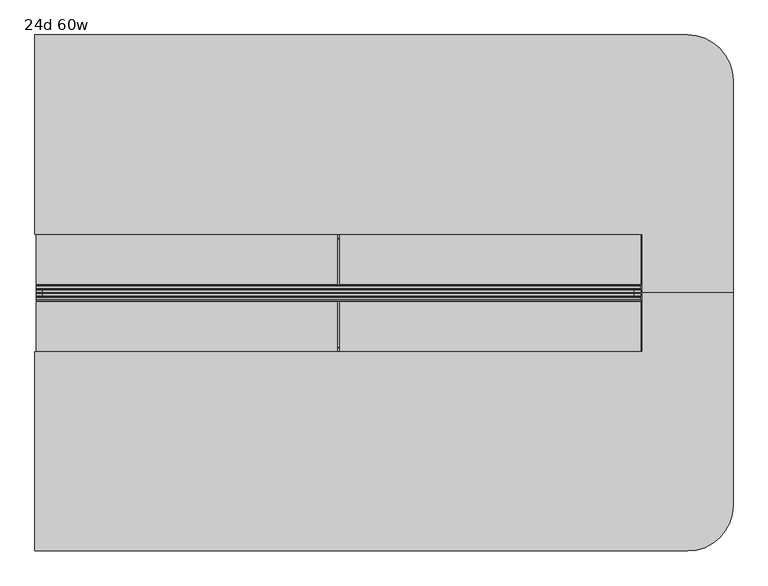
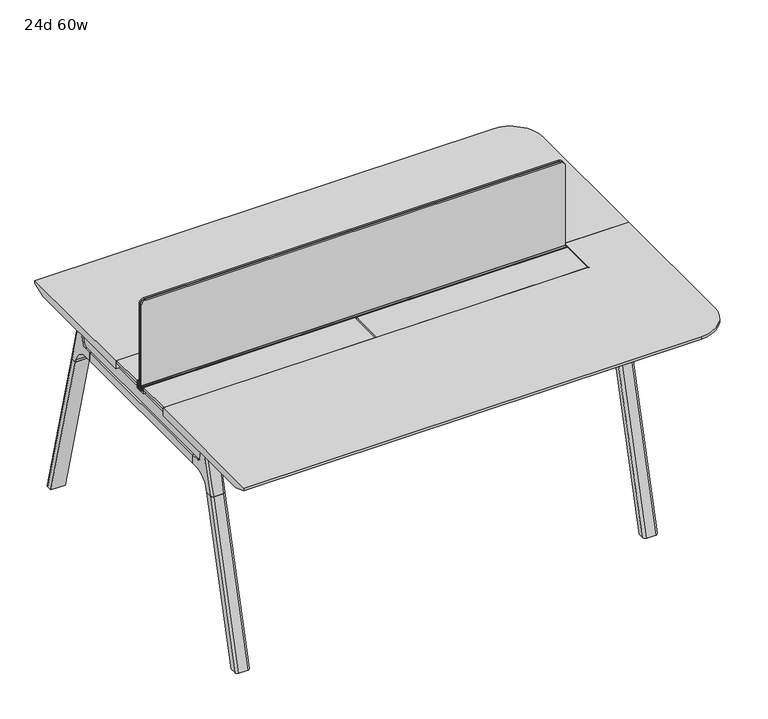
"""IFC4 building model written with IfcOpenShell, lengths in millimetres: furniture geometry, 24d 60w."""

from ifc_helpers import new_model, si_unit, point, frame, frame_2d, origin, place, context, project, spatial, polyline, circle_curve, ellipse_curve, trimmed, segment, composite_curve, outline, extrude, source, transform, mapped, element, save
from ifc_brep_helpers import plane_surface, cylinder_surface, revolved_surface, advanced_brep


def furniture_24d_60w_6e6c39e0(model_context):
    return source(origin(), model_context, "Body", "SolidModel", [
        extrude(outline(polyline([(-18.0090763, 706.4375), (3.7767266, 706.4375), (3.7767266, 705.2310087), (-17.4495292, 705.2310087), (-19.0070753, 703.6734626), (-49.1186716, 567.0903512), (-50.5285062, 567.4011683), (-20.404074, 704.0425023), (-18.0090763, 706.4375)])), frame((-317.5, 0.0, 0.0), z_axis=(1.0, 0.0, 0.0), x_axis=(0.0, 1.0, 0.0)), (0.0, 0.0, 1.0), 31.8008024),
        extrude(outline(polyline([(-381.4978768, 706.4375), (-379.1028791, 704.0425023), (-348.9784469, 567.4011683), (-350.3882815, 567.0903512), (-380.4998778, 703.6734626), (-382.0574239, 705.2310087), (-403.2836797, 705.2310087), (-403.2836797, 706.4375), (-381.4978768, 706.4375)])), frame((-317.5, 0.0, 0.0), z_axis=(1.0, 0.0, 0.0), x_axis=(0.0, 1.0, 0.0)), (0.0, 0.0, 1.0), 31.8008024),
        extrude(outline(polyline([(-18.0090763, 706.4375), (3.7767266, 706.4375), (3.7767266, 705.2310087), (-17.4495292, 705.2310087), (-19.0070753, 703.6734626), (-49.1186716, 567.0903512), (-50.5285062, 567.4011683), (-20.404074, 704.0425023), (-18.0090763, 706.4375)])), frame((717.4991976, 0.0, 0.0), z_axis=(1.0, 0.0, 0.0), x_axis=(0.0, 1.0, 0.0)), (0.0, 0.0, 1.0), 31.8008024),
        extrude(outline(polyline([(-381.4978768, 706.4375), (-379.1028791, 704.0425023), (-348.9784469, 567.4011683), (-350.3882815, 567.0903512), (-380.4998778, 703.6734626), (-382.0574239, 705.2310087), (-403.2836797, 705.2310087), (-403.2836797, 706.4375), (-381.4978768, 706.4375)])), frame((717.4991976, 0.0, 0.0), z_axis=(1.0, 0.0, 0.0), x_axis=(0.0, 1.0, 0.0)), (0.0, 0.0, 1.0), 31.8008024),
        extrude(outline(polyline([(-353.550475, 565.5309966), (-351.518477, 567.5629947), (-350.957211, 567.0017287), (-352.756725, 565.2022146), (-352.756725, 557.3042827), (-352.5317745, 556.4647622), (-337.4390802, 530.3234395), (-336.0037101, 529.4947272), (-63.503243, 529.4947272), (-62.0678729, 530.3234395), (-46.9751786, 556.4647622), (-46.7502281, 557.3042827), (-46.7502281, 565.2022146), (-48.5497421, 567.0017287), (-47.9884761, 567.5629947), (-45.9564781, 565.5309966), (-45.9564781, 557.1997828), (-46.2355217, 556.1583856), (-61.4868074, 529.7423744), (-63.2905581, 528.7009772), (-336.216395, 528.7009772), (-338.0201457, 529.7423744), (-353.2714314, 556.1583856), (-353.550475, 557.1997828), (-353.550475, 565.5309966)])), frame((-317.4492037, 0.0, 0.0), z_axis=(1.0, 0.0, 0.0), x_axis=(0.0, 1.0, 0.0)), (0.0, 0.0, 1.0), 1066.7492037),
        extrude(outline(composite_curve([segment(polyline([(178.0715234, 711.2), (169.0134226, 677.3947076)]), True, "CONTINUOUS"), segment(trimmed(circle_curve(frame_2d((153.6793501, 681.5034599)), 15.875), [point((169.0134226, 677.3947076))], [point((153.6793501, 665.6284599))], False, "CARTESIAN"), True, "CONTINUOUS"), segment(polyline([(153.6793501, 665.6284599), (-553.1863033, 665.6284599)]), True, "CONTINUOUS"), segment(trimmed(circle_curve(frame_2d((-553.1863033, 681.5034599)), 15.875), [point((-553.1863033, 665.6284599))], [point((-568.5203758, 677.3947076))], False, "CARTESIAN"), True, "CONTINUOUS"), segment(polyline([(-568.5203758, 677.3947076), (-577.5784766, 711.2), (178.0715234, 711.2)]), True, "CONTINUOUS")], self_intersect=False)), frame((-533.4, 0.0, 0.0), z_axis=(1.0, 0.0, 0.0), x_axis=(0.0, 1.0, 0.0)), (0.0, 0.0, 1.0), 38.1),
        extrude(outline(polyline([(-488.95, 117.7465234), (-488.95, -517.2534766), (-539.75, -517.2534766), (-539.75, 117.7465234), (-488.95, 117.7465234)])), frame((0.0, 0.0, 635.6476591), z_axis=(0.0, 0.0, 1.0), x_axis=(1.0, 0.0, 0.0)), (0.0, 0.0, 1.0), 29.9808008),
        advanced_brep(
        [(-488.95, 171.7678522, 711.2), (-488.95, 162.7097514, 677.3947076), (-488.95, 147.3756789, 665.6284599), (-488.95, 117.7465234, 665.6284599), (-488.95, 117.7465234, 635.6476591), (-488.95, 140.6177557, 635.6476591), (-488.95, 205.0208602, 586.2294189), (-488.95, 207.5790723, 576.6820411), (-488.95, 228.6830422, 576.6820411), (-488.95, 193.2343986, 711.2), (-539.75, 207.5790723, 576.6820411), (-539.75, 205.0208602, 586.2294189), (-539.75, 140.6177557, 635.6476591), (-539.75, 117.7465234, 635.6476591), (-539.75, 117.7465234, 665.6284599), (-539.75, 147.3756789, 665.6284599), (-539.75, 162.7097514, 677.3947076), (-539.75, 171.7678522, 711.2), (-539.75, 193.2343986, 711.2), (-539.75, 228.6830422, 576.6820411), (-495.2138162, 202.4892431, 711.2), (-533.4861838, 202.4892431, 711.2), (-530.225, 238.5332216, 576.6820411), (-498.475, 238.5332216, 576.6820411)],
        [
            (0, 1),
            (1, 2, circle_curve(frame((-488.95, 147.3756789, 681.5034599), z_axis=(-1.0, 0.0, 0.0), x_axis=(0.0, 1.0, 0.0)), 15.875)),
            (2, 3),
            (3, 4),
            (4, 5),
            (5, 6, circle_curve(frame((-488.95, 140.6177557, 568.9726591), z_axis=(-1.0, 0.0, 0.0), x_axis=(0.0, 1.0, 0.0)), 66.675)),
            (6, 7),
            (7, 8),
            (8, 9),
            (9, 0),
            (10, 11),
            (11, 12, circle_curve(frame((-539.75, 140.6177557, 568.9726591), z_axis=(1.0, 0.0, 0.0), x_axis=(0.0, 1.0, 0.0)), 66.675)),
            (12, 13),
            (13, 14),
            (14, 15),
            (15, 16, circle_curve(frame((-539.75, 147.3756789, 681.5034599), z_axis=(1.0, 0.0, 0.0), x_axis=(0.0, 1.0, 0.0)), 15.875)),
            (16, 17),
            (17, 18),
            (18, 19),
            (19, 10),
            (17, 0),
            (9, 20, ellipse_curve(frame((-498.475, 193.2343986, 711.2), z_axis=(0.0, 0.0, 1.0), x_axis=(0.0, 1.0, 0.0)), 9.8501793, 9.525)),
            (20, 21),
            (21, 18, ellipse_curve(frame((-530.225, 193.2343986, 711.2), z_axis=(0.0, 0.0, 1.0), x_axis=(0.0, 1.0, 0.0)), 9.8501793, 9.525)),
            (16, 1),
            (15, 2),
            (14, 3),
            (13, 4),
            (12, 5),
            (11, 6),
            (10, 7),
            (19, 22, ellipse_curve(frame((-530.225, 228.6830422, 576.6820411), z_axis=(0.0, 0.0, -1.0), x_axis=(0.0, 1.0, 0.0)), 9.8501793, 9.525)),
            (22, 23),
            (23, 8, ellipse_curve(frame((-498.475, 228.6830422, 576.6820411), z_axis=(0.0, 0.0, -1.0), x_axis=(0.0, 1.0, 0.0)), 9.8501793, 9.525)),
            (20, 23, ellipse_curve(frame((-498.475, -357.8364925, 2802.3641142), z_axis=(0.0, 0.9659258262890684, 0.2588190451025206), x_axis=(0.0, 0.2588190451025206, -0.9659258262890684)), 2304.1956354, 9.525)),
            (22, 21, ellipse_curve(frame((-530.225, -357.8364925, 2802.3641142), z_axis=(0.0, 0.9659258262890684, 0.2588190451025206), x_axis=(0.0, 0.2588190451025206, -0.9659258262890684)), 2304.1956354, 9.525)),
        ],
        [
            plane_surface(frame((-488.95, 202.4892431, 711.2), z_axis=(1.0, 0.0, 0.0), x_axis=(0.0, -1.0, 0.0))),
            plane_surface(frame((-539.75, 202.4892431, 711.2), z_axis=(-1.0, 0.0, 0.0), x_axis=(0.0, 1.0, 0.0))),
            plane_surface(frame((-488.95, 202.4892431, 711.2), z_axis=(0.0, 0.0, 1.0), x_axis=(-1.0, 0.0, 0.0))),
            plane_surface(frame((-488.95, 171.7678522, 711.2), z_axis=(0.0, -0.9659258262890683, 0.2588190451025207), x_axis=(-1.0, 0.0, 0.0))),
            revolved_surface(polyline([(-539.75, 163.2506789, 681.5034599), (-488.95, 163.2506789, 681.5034599)]), (-539.75, 147.3756789, 681.5034599), (-1.0, 0.0, 0.0)),
            plane_surface(frame((-488.95, 147.3756789, 665.6284599), z_axis=(0.0, 0.0, 1.0), x_axis=(-1.0, 0.0, 0.0))),
            plane_surface(frame((-488.95, 117.7465234, 665.6284599), z_axis=(0.0, -1.0, 0.0), x_axis=(-1.0, 0.0, 0.0))),
            plane_surface(frame((-488.95, 117.7465234, 635.6476591), z_axis=(0.0, 0.0, -1.0), x_axis=(-1.0, 0.0, 0.0))),
            revolved_surface(polyline([(-539.75, 207.2927557, 568.9726591), (-488.95, 207.2927557, 568.9726591)]), (-539.75, 140.6177557, 568.9726591), (-1.0, 0.0, 0.0)),
            plane_surface(frame((-488.95, 205.0208602, 586.2294189), z_axis=(0.0, -0.9659258262890693, -0.25881904510251696), x_axis=(-1.0, 0.0, 0.0))),
            plane_surface(frame((-488.95, 207.5790723, 576.6820411), z_axis=(0.0, 0.0, -1.0), x_axis=(-1.0, 0.0, 0.0))),
            plane_surface(frame((-488.95, 238.5332216, 576.6820411), z_axis=(0.0, 0.9659258262890684, 0.2588190451025206), x_axis=(-1.0, 0.0, 0.0))),
            cylinder_surface(frame((-498.475, 381.2919371, -2.4271979), z_axis=(0.0, 0.25482392474081483, -0.966987470125486), x_axis=(-1.0, 0.0, 0.0)), 9.525),
            cylinder_surface(frame((-530.225, 381.2919371, -2.4271979), z_axis=(0.0, 0.25482392474081483, -0.966987470125486), x_axis=(-1.0, 0.0, 0.0)), 9.525),
        ],
        [
            (0, [[1, 2, 3, 4, 5, 6, 7, 8, 9, 10]]),
            (1, [[11, 12, 13, 14, 15, 16, 17, 18, 19, 20]]),
            (2, [[21, -10, 22, 23, 24, -18]]),
            (3, [[-1, -21, -17, 25]]),
            (4, [[-2, -25, -16, 26]]),
            (5, [[-3, -26, -15, 27]]),
            (6, [[-4, -27, -14, 28]]),
            (7, [[-5, -28, -13, 29]]),
            (8, [[-6, -29, -12, 30]]),
            (9, [[-7, -30, -11, 31]]),
            (10, [[-31, -20, 32, 33, 34, -8]]),
            (11, [[-23, 35, -33, 36]]),
            (12, [[-9, -34, -35, -22]]),
            (13, [[-19, -24, -36, -32]]),
        ],
    ),
        advanced_brep(
        [(-488.95, 207.5790723, 576.6820411), (-488.95, 359.5483435, 0.0), (-488.95, 380.6523134, 0.0), (-488.95, 228.6830422, 576.6820411), (-539.75, 359.5483435, 0.0), (-539.75, 207.5790723, 576.6820411), (-539.75, 228.6830422, 576.6820411), (-539.75, 380.6523134, 0.0), (-498.475, 238.5332216, 576.6820411), (-530.225, 238.5332216, 576.6820411), (-530.225, 390.5024927, 0.0), (-498.475, 390.5024927, 0.0)],
        [
            (0, 1),
            (1, 2),
            (2, 3),
            (3, 0),
            (4, 5),
            (5, 6),
            (6, 7),
            (7, 4),
            (5, 0),
            (3, 8, ellipse_curve(frame((-498.475, 228.6830422, 576.6820411), z_axis=(0.0, 0.0, 1.0), x_axis=(0.0, 1.0, 0.0)), 9.8501793, 9.525)),
            (8, 9),
            (9, 6, ellipse_curve(frame((-530.225, 228.6830422, 576.6820411), z_axis=(0.0, 0.0, 1.0), x_axis=(0.0, 1.0, 0.0)), 9.8501793, 9.525)),
            (4, 1),
            (7, 10, ellipse_curve(frame((-530.225, 380.6523134, 0.0), z_axis=(0.0, 0.0, -1.0), x_axis=(0.0, 1.0, 0.0)), 9.8501793, 9.525)),
            (10, 11),
            (11, 2, ellipse_curve(frame((-498.475, 380.6523134, 0.0), z_axis=(0.0, 0.0, -1.0), x_axis=(0.0, 1.0, 0.0)), 9.8501793, 9.525)),
            (8, 11),
            (10, 9),
        ],
        [
            plane_surface(frame((-488.95, 238.5332216, 576.6820411), z_axis=(1.0, 0.0, 0.0), x_axis=(0.0, -1.0, 0.0))),
            plane_surface(frame((-539.75, 238.5332216, 576.6820411), z_axis=(-1.0, 0.0, 0.0), x_axis=(0.0, 1.0, 0.0))),
            plane_surface(frame((-488.95, 238.5332216, 576.6820411), z_axis=(0.0, 0.0, 1.0), x_axis=(-1.0, 0.0, 0.0))),
            plane_surface(frame((-488.95, 207.5790723, 576.6820411), z_axis=(0.0, -0.9669874701254844, -0.2548239247408208), x_axis=(-1.0, 0.0, 0.0))),
            plane_surface(frame((-488.95, 359.5483435, 0.0), z_axis=(0.0, 0.0, -1.0), x_axis=(-1.0, 0.0, 0.0))),
            plane_surface(frame((-488.95, 390.5024927, 0.0), z_axis=(0.0, 0.9669874701254855, 0.2548239247408166), x_axis=(-1.0, 0.0, 0.0))),
            cylinder_surface(frame((-498.475, 381.2919371, -2.4271979), z_axis=(0.0, 0.25482392474081483, -0.966987470125486), x_axis=(-1.0, 0.0, 0.0)), 9.525),
            cylinder_surface(frame((-530.225, 381.2919371, -2.4271979), z_axis=(0.0, 0.25482392474081483, -0.966987470125486), x_axis=(-1.0, 0.0, 0.0)), 9.525),
        ],
        [
            (0, [[1, 2, 3, 4]]),
            (1, [[5, 6, 7, 8]]),
            (2, [[9, -4, 10, 11, 12, -6]]),
            (3, [[-1, -9, -5, 13]]),
            (4, [[-13, -8, 14, 15, 16, -2]]),
            (5, [[-11, 17, -15, 18]]),
            (6, [[-3, -16, -17, -10]]),
            (7, [[-7, -12, -18, -14]]),
        ],
    ),
        advanced_brep(
        [(-539.75, -571.2748053, 711.2), (-539.75, -562.2167045, 677.3947076), (-539.75, -546.882632, 665.6284599), (-539.75, -517.2534766, 665.6284599), (-539.75, -517.2534766, 635.6476591), (-539.75, -540.1247088, 635.6476591), (-539.75, -604.5278133, 586.2294189), (-539.75, -607.0860254, 576.6820411), (-539.75, -628.1899953, 576.6820411), (-539.75, -592.7413517, 711.2), (-488.95, -607.0860254, 576.6820411), (-488.95, -604.5278133, 586.2294189), (-488.95, -540.1247088, 635.6476591), (-488.95, -517.2534766, 635.6476591), (-488.95, -517.2534766, 665.6284599), (-488.95, -546.882632, 665.6284599), (-488.95, -562.2167045, 677.3947076), (-488.95, -571.2748053, 711.2), (-488.95, -592.7413517, 711.2), (-488.95, -628.1899953, 576.6820411), (-533.4861838, -601.9961962, 711.2), (-495.2138162, -601.9961962, 711.2), (-498.475, -638.0401747, 576.6820411), (-530.225, -638.0401747, 576.6820411)],
        [
            (0, 1),
            (1, 2, circle_curve(frame((-539.75, -546.882632, 681.5034599), z_axis=(1.0, 0.0, 0.0), x_axis=(0.0, -1.0, 0.0)), 15.875)),
            (2, 3),
            (3, 4),
            (4, 5),
            (5, 6, circle_curve(frame((-539.75, -540.1247088, 568.9726591), z_axis=(1.0, 0.0, 0.0), x_axis=(0.0, -1.0, 0.0)), 66.675)),
            (6, 7),
            (7, 8),
            (8, 9),
            (9, 0),
            (10, 11),
            (11, 12, circle_curve(frame((-488.95, -540.1247088, 568.9726591), z_axis=(-1.0, 0.0, 0.0), x_axis=(0.0, -1.0, 0.0)), 66.675)),
            (12, 13),
            (13, 14),
            (14, 15),
            (15, 16, circle_curve(frame((-488.95, -546.882632, 681.5034599), z_axis=(-1.0, 0.0, 0.0), x_axis=(0.0, -1.0, 0.0)), 15.875)),
            (16, 17),
            (17, 18),
            (18, 19),
            (19, 10),
            (17, 0),
            (9, 20, ellipse_curve(frame((-530.225, -592.7413517, 711.2), z_axis=(0.0, 0.0, 1.0), x_axis=(0.0, -1.0, 0.0)), 9.8501793, 9.525)),
            (20, 21),
            (21, 18, ellipse_curve(frame((-498.475, -592.7413517, 711.2), z_axis=(0.0, 0.0, 1.0), x_axis=(0.0, -1.0, 0.0)), 9.8501793, 9.525)),
            (16, 1),
            (15, 2),
            (14, 3),
            (13, 4),
            (12, 5),
            (11, 6),
            (10, 7),
            (19, 22, ellipse_curve(frame((-498.475, -628.1899953, 576.6820411), z_axis=(0.0, 0.0, -1.0), x_axis=(0.0, -1.0, 0.0)), 9.8501793, 9.525)),
            (22, 23),
            (23, 8, ellipse_curve(frame((-530.225, -628.1899953, 576.6820411), z_axis=(0.0, 0.0, -1.0), x_axis=(0.0, -1.0, 0.0)), 9.8501793, 9.525)),
            (20, 23, ellipse_curve(frame((-530.225, -41.6704606, 2802.3641142), z_axis=(0.0, -0.9659258262890684, 0.2588190451025206), x_axis=(0.0, -0.2588190451025206, -0.9659258262890684)), 2304.1956354, 9.525)),
            (22, 21, ellipse_curve(frame((-498.475, -41.6704606, 2802.3641142), z_axis=(0.0, -0.9659258262890684, 0.2588190451025206), x_axis=(0.0, -0.2588190451025206, -0.9659258262890684)), 2304.1956354, 9.525)),
        ],
        [
            plane_surface(frame((-539.75, -601.9961962, 711.2), z_axis=(-1.0, 0.0, 0.0), x_axis=(0.0, 1.0, 0.0))),
            plane_surface(frame((-488.95, -601.9961962, 711.2), z_axis=(1.0, 0.0, 0.0), x_axis=(0.0, -1.0, 0.0))),
            plane_surface(frame((-539.75, -601.9961962, 711.2), z_axis=(0.0, 0.0, 1.0), x_axis=(1.0, 0.0, 0.0))),
            plane_surface(frame((-539.75, -571.2748053, 711.2), z_axis=(0.0, 0.9659258262890683, 0.2588190451025207), x_axis=(1.0, 0.0, 0.0))),
            revolved_surface(polyline([(-488.95, -562.757632, 681.5034599), (-539.75, -562.757632, 681.5034599)]), (-488.95, -546.882632, 681.5034599), (1.0, 0.0, 0.0)),
            plane_surface(frame((-539.75, -546.882632, 665.6284599), z_axis=(0.0, 0.0, 1.0), x_axis=(1.0, 0.0, 0.0))),
            plane_surface(frame((-539.75, -517.2534766, 665.6284599), z_axis=(0.0, 1.0, 0.0), x_axis=(1.0, 0.0, 0.0))),
            plane_surface(frame((-539.75, -517.2534766, 635.6476591), z_axis=(0.0, 0.0, -1.0), x_axis=(1.0, 0.0, 0.0))),
            revolved_surface(polyline([(-488.95, -606.7997088, 568.9726591), (-539.75, -606.7997088, 568.9726591)]), (-488.95, -540.1247088, 568.9726591), (1.0, 0.0, 0.0)),
            plane_surface(frame((-539.75, -604.5278133, 586.2294189), z_axis=(0.0, 0.9659258262890693, -0.25881904510251696), x_axis=(1.0, 0.0, 0.0))),
            plane_surface(frame((-539.75, -607.0860254, 576.6820411), z_axis=(0.0, 0.0, -1.0), x_axis=(1.0, 0.0, 0.0))),
            plane_surface(frame((-539.75, -638.0401747, 576.6820411), z_axis=(0.0, -0.9659258262890684, 0.2588190451025206), x_axis=(1.0, 0.0, 0.0))),
            cylinder_surface(frame((-530.225, -780.7988902, -2.4271979), z_axis=(0.0, -0.25482392474081483, -0.966987470125486), x_axis=(1.0, 0.0, 0.0)), 9.525),
            cylinder_surface(frame((-498.475, -780.7988902, -2.4271979), z_axis=(0.0, -0.25482392474081483, -0.966987470125486), x_axis=(1.0, 0.0, 0.0)), 9.525),
        ],
        [
            (0, [[1, 2, 3, 4, 5, 6, 7, 8, 9, 10]]),
            (1, [[11, 12, 13, 14, 15, 16, 17, 18, 19, 20]]),
            (2, [[21, -10, 22, 23, 24, -18]]),
            (3, [[-1, -21, -17, 25]]),
            (4, [[-2, -25, -16, 26]]),
            (5, [[-3, -26, -15, 27]]),
            (6, [[-4, -27, -14, 28]]),
            (7, [[-5, -28, -13, 29]]),
            (8, [[-6, -29, -12, 30]]),
            (9, [[-7, -30, -11, 31]]),
            (10, [[-31, -20, 32, 33, 34, -8]]),
            (11, [[-23, 35, -33, 36]]),
            (12, [[-9, -34, -35, -22]]),
            (13, [[-19, -24, -36, -32]]),
        ],
    ),
        advanced_brep(
        [(-539.75, -607.0860254, 576.6820411), (-539.75, -759.0552966, 0.0), (-539.75, -780.1592665, 0.0), (-539.75, -628.1899953, 576.6820411), (-488.95, -759.0552966, 0.0), (-488.95, -607.0860254, 576.6820411), (-488.95, -628.1899953, 576.6820411), (-488.95, -780.1592665, 0.0), (-530.225, -638.0401747, 576.6820411), (-498.475, -638.0401747, 576.6820411), (-498.475, -790.0094458, 0.0), (-530.225, -790.0094458, 0.0)],
        [
            (0, 1),
            (1, 2),
            (2, 3),
            (3, 0),
            (4, 5),
            (5, 6),
            (6, 7),
            (7, 4),
            (5, 0),
            (3, 8, ellipse_curve(frame((-530.225, -628.1899953, 576.6820411), z_axis=(0.0, 0.0, 1.0), x_axis=(0.0, -1.0, 0.0)), 9.8501793, 9.525)),
            (8, 9),
            (9, 6, ellipse_curve(frame((-498.475, -628.1899953, 576.6820411), z_axis=(0.0, 0.0, 1.0), x_axis=(0.0, -1.0, 0.0)), 9.8501793, 9.525)),
            (4, 1),
            (7, 10, ellipse_curve(frame((-498.475, -780.1592665, 0.0), z_axis=(0.0, 0.0, -1.0), x_axis=(0.0, -1.0, 0.0)), 9.8501793, 9.525)),
            (10, 11),
            (11, 2, ellipse_curve(frame((-530.225, -780.1592665, 0.0), z_axis=(0.0, 0.0, -1.0), x_axis=(0.0, -1.0, 0.0)), 9.8501793, 9.525)),
            (8, 11),
            (10, 9),
        ],
        [
            plane_surface(frame((-539.75, -638.0401747, 576.6820411), z_axis=(-1.0, 0.0, 0.0), x_axis=(0.0, 1.0, 0.0))),
            plane_surface(frame((-488.95, -638.0401747, 576.6820411), z_axis=(1.0, 0.0, 0.0), x_axis=(0.0, -1.0, 0.0))),
            plane_surface(frame((-539.75, -638.0401747, 576.6820411), z_axis=(0.0, 0.0, 1.0), x_axis=(1.0, 0.0, 0.0))),
            plane_surface(frame((-539.75, -607.0860254, 576.6820411), z_axis=(0.0, 0.9669874701254844, -0.2548239247408208), x_axis=(1.0, 0.0, 0.0))),
            plane_surface(frame((-539.75, -759.0552966, 0.0), z_axis=(0.0, 0.0, -1.0), x_axis=(1.0, 0.0, 0.0))),
            plane_surface(frame((-539.75, -790.0094458, 0.0), z_axis=(0.0, -0.9669874701254855, 0.2548239247408166), x_axis=(1.0, 0.0, 0.0))),
            cylinder_surface(frame((-530.225, -780.7988902, -2.4271979), z_axis=(0.0, -0.25482392474081483, -0.966987470125486), x_axis=(1.0, 0.0, 0.0)), 9.525),
            cylinder_surface(frame((-498.475, -780.7988902, -2.4271979), z_axis=(0.0, -0.25482392474081483, -0.966987470125486), x_axis=(1.0, 0.0, 0.0)), 9.525),
        ],
        [
            (0, [[1, 2, 3, 4]]),
            (1, [[5, 6, 7, 8]]),
            (2, [[9, -4, 10, 11, 12, -6]]),
            (3, [[-1, -9, -5, 13]]),
            (4, [[-13, -8, 14, 15, 16, -2]]),
            (5, [[-11, 17, -15, 18]]),
            (6, [[-3, -16, -17, -10]]),
            (7, [[-7, -12, -18, -14]]),
        ],
    ),
        advanced_brep(
        [(977.9, -347.3909766, 741.3625), (-546.1, -347.3909766, 741.3625), (-546.1, -847.4534766, 741.3625), (1092.2, -847.4534766, 741.3625), (1206.5, -733.1534766, 741.3625), (1206.5, -199.7534766, 741.3625), (977.9, -199.7534766, 741.3625), (977.9, -347.3909766, 711.2), (977.9, -199.7534766, 711.2), (1155.7, -199.7534766, 711.2), (1155.7, -733.1534766, 711.2), (1092.2, -796.6534766, 711.2), (-546.1, -796.6534766, 711.2), (-546.1, -347.3909766, 711.2), (-546.1, -847.4534766, 731.8375), (1092.2, -847.4534766, 731.8375), (1206.5, -733.1534766, 731.8375), (1206.5, -199.7534766, 731.8375)],
        [
            (0, 1),
            (1, 2),
            (2, 3),
            (3, 4, circle_curve(frame((1092.2, -733.1534766, 741.3625), z_axis=(0.0, 0.0, 1.0), x_axis=(1.0, 0.0, 0.0)), 114.3)),
            (4, 5),
            (5, 6),
            (6, 0),
            (7, 8),
            (8, 9),
            (9, 10),
            (10, 11, circle_curve(frame((1092.2, -733.1534766, 711.2), z_axis=(0.0, 0.0, -1.0), x_axis=(0.0, -1.0, 0.0)), 63.5)),
            (11, 12),
            (12, 13),
            (13, 7),
            (0, 7),
            (13, 1),
            (12, 14),
            (14, 2),
            (14, 15),
            (15, 3),
            (4, 16),
            (16, 17),
            (17, 5),
            (15, 16, circle_curve(frame((1092.2, -733.1534766, 731.8375), z_axis=(0.0, 0.0, 1.0), x_axis=(1.0, 0.0, 0.0)), 114.3)),
            (17, 9),
            (8, 6),
            (11, 15),
            (10, 16),
        ],
        [
            plane_surface(frame((-546.1, -347.3909766, 741.3625), z_axis=(0.0, 0.0, 1.0), x_axis=(-1.0, 0.0, 0.0))),
            plane_surface(frame((-546.1, -347.3909766, 711.2), z_axis=(0.0, 0.0, -1.0), x_axis=(1.0, 0.0, 0.0))),
            plane_surface(frame((977.9, -347.3909766, 741.3625), z_axis=(0.0, 1.0, 0.0), x_axis=(0.0, 0.0, -1.0))),
            plane_surface(frame((-546.1, -347.3909766, 741.3625), z_axis=(-1.0, 0.0, 0.0), x_axis=(0.0, 0.0, -1.0))),
            plane_surface(frame((-546.1, -847.4534766, 741.3625), z_axis=(0.0, -1.0, 0.0), x_axis=(0.0, 0.0, -1.0))),
            plane_surface(frame((1206.5, -733.1534766, 741.3625), z_axis=(1.0, 0.0, 0.0), x_axis=(0.0, 0.0, -1.0))),
            cylinder_surface(frame((1092.2, -733.1534766, 711.2), z_axis=(0.0, 0.0, 1.0), x_axis=(1.0, 0.0, 0.0)), 114.3),
            plane_surface(frame((1206.5, -199.7534766, 741.3625), z_axis=(0.0, 1.0, 0.0), x_axis=(0.0, 0.0, -1.0))),
            plane_surface(frame((977.9, -199.7534766, 741.3625), z_axis=(-1.0, 0.0, 0.0), x_axis=(0.0, 0.0, -1.0))),
            plane_surface(frame((-546.1, -847.4534766, 731.8375), z_axis=(0.0, -0.3763770469570871, -0.9264665771218423), x_axis=(1.0, 0.0, 0.0))),
            revolved_surface(polyline([(1092.2, -796.6534766, 711.2), (1092.2, -847.4534766, 731.8375)]), (1092.2, -733.1534766, 711.2), (0.0, 0.0, 1.0)),
            plane_surface(frame((1206.5, -733.1534766, 731.8375), z_axis=(0.3763770469570871, 0.0, -0.9264665771218423), x_axis=(0.0, 1.0, 0.0))),
        ],
        [
            (0, [[1, 2, 3, 4, 5, 6, 7]]),
            (1, [[8, 9, 10, 11, 12, 13, 14]]),
            (2, [[-1, 15, -14, 16]]),
            (3, [[-2, -16, -13, 17, 18]]),
            (4, [[-3, -18, 19, 20]]),
            (5, [[-5, 21, 22, 23]]),
            (6, [[-4, -20, 24, -21]]),
            (7, [[-6, -23, 25, -9, 26]]),
            (8, [[-7, -26, -8, -15]]),
            (9, [[27, -19, -17, -12]]),
            (10, [[-27, -11, 28, -24]]),
            (11, [[-28, -10, -25, -22]]),
        ],
    ),
        advanced_brep(
        [(977.9, -52.1159766, 741.3625), (977.9, -199.7534766, 741.3625), (1206.5, -199.7534766, 741.3625), (1206.5, 333.6465234, 741.3625), (1092.2, 447.9465234, 741.3625), (-546.1, 447.9465234, 741.3625), (-546.1, -52.1159766, 741.3625), (977.9, -52.1159766, 711.2), (-546.1, -52.1159766, 711.2), (-546.1, 397.1465234, 711.2), (1092.2, 397.1465234, 711.2), (1155.7, 333.6465234, 711.2), (1155.7, -199.7534766, 711.2), (977.9, -199.7534766, 711.2), (-546.1, 447.9465234, 731.8375), (1092.2, 447.9465234, 731.8375), (1206.5, -199.7534766, 731.8375), (1206.5, 333.6465234, 731.8375)],
        [
            (0, 1),
            (1, 2),
            (2, 3),
            (3, 4, circle_curve(frame((1092.2, 333.6465234, 741.3625), z_axis=(0.0, 0.0, 1.0), x_axis=(1.0, 0.0, 0.0)), 114.3)),
            (4, 5),
            (5, 6),
            (6, 0),
            (7, 8),
            (8, 9),
            (9, 10),
            (10, 11, circle_curve(frame((1092.2, 333.6465234, 711.2), z_axis=(0.0, 0.0, -1.0), x_axis=(0.0, 1.0, 0.0)), 63.5)),
            (11, 12),
            (12, 13),
            (13, 7),
            (6, 8),
            (7, 0),
            (5, 14),
            (14, 9),
            (4, 15),
            (15, 14),
            (2, 16),
            (16, 17),
            (17, 3),
            (17, 15, circle_curve(frame((1092.2, 333.6465234, 731.8375), z_axis=(0.0, 0.0, 1.0), x_axis=(1.0, 0.0, 0.0)), 114.3)),
            (1, 13),
            (12, 16),
            (15, 10),
            (17, 11),
        ],
        [
            plane_surface(frame((-546.1, -52.1159766, 741.3625), z_axis=(0.0, 0.0, 1.0), x_axis=(-1.0, 0.0, 0.0))),
            plane_surface(frame((-546.1, -52.1159766, 711.2), z_axis=(0.0, 0.0, -1.0), x_axis=(1.0, 0.0, 0.0))),
            plane_surface(frame((977.9, -52.1159766, 741.3625), z_axis=(0.0, -1.0, 0.0), x_axis=(0.0, 0.0, -1.0))),
            plane_surface(frame((-546.1, -52.1159766, 741.3625), z_axis=(-1.0, 0.0, 0.0), x_axis=(0.0, 0.0, -1.0))),
            plane_surface(frame((-546.1, 447.9465234, 741.3625), z_axis=(0.0, 1.0, 0.0), x_axis=(0.0, 0.0, -1.0))),
            plane_surface(frame((1206.5, 333.6465234, 741.3625), z_axis=(1.0, 0.0, 0.0), x_axis=(0.0, 0.0, -1.0))),
            cylinder_surface(frame((1092.2, 333.6465234, 711.2), z_axis=(0.0, 0.0, 1.0), x_axis=(1.0, 0.0, 0.0)), 114.3),
            plane_surface(frame((1206.5, -199.7534766, 741.3625), z_axis=(0.0, -1.0, 0.0), x_axis=(0.0, 0.0, -1.0))),
            plane_surface(frame((977.9, -199.7534766, 741.3625), z_axis=(-1.0, 0.0, 0.0), x_axis=(0.0, 0.0, -1.0))),
            plane_surface(frame((-546.1, 447.9465234, 731.8375), z_axis=(0.0, 0.3763770469570871, -0.9264665771218423), x_axis=(1.0, 0.0, 0.0))),
            revolved_surface(polyline([(1092.2, 397.1465234, 711.2), (1092.2, 447.9465234, 731.8375)]), (1092.2, 333.6465234, 711.2), (0.0, 0.0, 1.0)),
            plane_surface(frame((1206.5, 333.6465234, 731.8375), z_axis=(0.3763770469570871, 0.0, -0.9264665771218423), x_axis=(0.0, -1.0, 0.0))),
        ],
        [
            (0, [[1, 2, 3, 4, 5, 6, 7]]),
            (1, [[8, 9, 10, 11, 12, 13, 14]]),
            (2, [[15, -8, 16, -7]]),
            (3, [[17, 18, -9, -15, -6]]),
            (4, [[19, 20, -17, -5]]),
            (5, [[21, 22, 23, -3]]),
            (6, [[-23, 24, -19, -4]]),
            (7, [[25, -13, 26, -21, -2]]),
            (8, [[-16, -14, -25, -1]]),
            (9, [[-10, -18, -20, 27]]),
            (10, [[-24, 28, -11, -27]]),
            (11, [[-22, -26, -12, -28]]),
        ],
    ),
        extrude(outline(polyline([(-218.8034766, 715.9625), (-218.8034766, 741.3625), (-217.2159766, 741.3625), (-217.2159766, 720.725), (-210.8659766, 720.725), (-210.8659766, 741.3625), (-209.2784766, 741.3625), (-209.2784766, 717.55), (-190.2284766, 717.55), (-190.2284766, 741.3625), (-188.6409766, 741.3625), (-188.6409766, 720.725), (-182.2909766, 720.725), (-182.2909766, 741.3625), (-180.7034766, 741.3625), (-180.7034766, 715.9625), (-218.8034766, 715.9625)])), frame((-542.925, 0.0, 0.0), z_axis=(1.0, 0.0, 0.0), x_axis=(0.0, 1.0, 0.0)), (0.0, 0.0, 1.0), 1517.65),
        extrude(outline(polyline([(212.725, -52.1159766), (212.725, -177.5284766), (-542.925, -177.5284766), (-542.925, -52.1159766), (212.725, -52.1159766)])), frame((0.0, 0.0, 731.8375), z_axis=(0.0, 0.0, 1.0), x_axis=(1.0, 0.0, 0.0)), (0.0, 0.0, 1.0), 9.525),
        extrude(outline(polyline([(212.725, -221.9784766), (212.725, -347.3909766), (-542.925, -347.3909766), (-542.925, -221.9784766), (212.725, -221.9784766)])), frame((0.0, 0.0, 731.8375), z_axis=(0.0, 0.0, 1.0), x_axis=(1.0, 0.0, 0.0)), (0.0, 0.0, 1.0), 9.525),
        extrude(outline(polyline([(974.725, -52.1159766), (974.725, -177.5284766), (219.075, -177.5284766), (219.075, -52.1159766), (974.725, -52.1159766)])), frame((0.0, 0.0, 731.8375), z_axis=(0.0, 0.0, 1.0), x_axis=(1.0, 0.0, 0.0)), (0.0, 0.0, 1.0), 9.525),
        extrude(outline(polyline([(974.725, -221.9784766), (974.725, -347.3909766), (219.075, -347.3909766), (219.075, -221.9784766), (974.725, -221.9784766)])), frame((0.0, 0.0, 731.8375), z_axis=(0.0, 0.0, 1.0), x_axis=(1.0, 0.0, 0.0)), (0.0, 0.0, 1.0), 9.525),
        extrude(outline(polyline([(768.35, 9.7965234), (768.35, -21.9534766), (-336.55, -21.9534766), (-336.55, 9.7965234), (768.35, 9.7965234)])), frame((0.0, 0.0, 646.1125), z_axis=(0.0, 0.0, 1.0), x_axis=(1.0, 0.0, 0.0)), (0.0, 0.0, 1.0), 50.8),
        extrude(outline(polyline([(768.35, -377.5534766), (768.35, -409.3034766), (-336.55, -409.3034766), (-336.55, -377.5534766), (768.35, -377.5534766)])), frame((0.0, 0.0, 646.1125), z_axis=(0.0, 0.0, 1.0), x_axis=(1.0, 0.0, 0.0)), (0.0, 0.0, 1.0), 50.8),
        extrude(outline(composite_curve([segment(polyline([(1054.89375, 955.675), (1054.89375, -523.875)]), True, "CONTINUOUS"), segment(trimmed(circle_curve(frame_2d((1039.01875, -523.875)), 15.875), [point((1054.89375, -523.875))], [point((1039.01875, -539.75))], False, "CARTESIAN"), True, "CONTINUOUS"), segment(polyline([(1039.01875, -539.75), (720.725, -539.75), (720.725, 971.55), (1039.01875, 971.55)]), True, "CONTINUOUS"), segment(trimmed(circle_curve(frame_2d((1039.01875, 955.675)), 15.875), [point((1039.01875, 971.55))], [point((1054.89375, 955.675))], False, "CARTESIAN"), True, "CONTINUOUS")], self_intersect=False)), frame((0.0, -201.3409766, 0.0), z_axis=(0.0, 1.0, 0.0), x_axis=(0.0, 0.0, 1.0)), (0.0, 0.0, 1.0), 3.175),
        extrude(outline(composite_curve([segment(polyline([(1058.06875, 958.85), (1058.06875, -527.05)]), True, "CONTINUOUS"), segment(trimmed(circle_curve(frame_2d((1042.19375, -527.05)), 15.875), [point((1058.06875, -527.05))], [point((1042.19375, -542.925))], False, "CARTESIAN"), True, "CONTINUOUS"), segment(polyline([(1042.19375, -542.925), (717.55, -542.925), (717.55, 974.725), (1042.19375, 974.725)]), True, "CONTINUOUS"), segment(trimmed(circle_curve(frame_2d((1042.19375, 958.85)), 15.875), [point((1042.19375, 974.725))], [point((1058.06875, 958.85))], False, "CARTESIAN"), True, "CONTINUOUS")], self_intersect=False)), frame((0.0, -198.1659766, 0.0), z_axis=(0.0, 1.0, 0.0), x_axis=(0.0, 0.0, 1.0)), (0.0, 0.0, 1.0), 5.55625),
        extrude(outline(composite_curve([segment(polyline([(1058.06875, 958.85), (1058.06875, -527.05)]), True, "CONTINUOUS"), segment(trimmed(circle_curve(frame_2d((1042.19375, -527.05)), 15.875), [point((1058.06875, -527.05))], [point((1042.19375, -542.925))], False, "CARTESIAN"), True, "CONTINUOUS"), segment(polyline([(1042.19375, -542.925), (717.55, -542.925), (717.55, 974.725), (1042.19375, 974.725)]), True, "CONTINUOUS"), segment(trimmed(circle_curve(frame_2d((1042.19375, 958.85)), 15.875), [point((1042.19375, 974.725))], [point((1058.06875, 958.85))], False, "CARTESIAN"), True, "CONTINUOUS")], self_intersect=False)), frame((0.0, -206.8972266, 0.0), z_axis=(0.0, 1.0, 0.0), x_axis=(0.0, 0.0, 1.0)), (0.0, 0.0, 1.0), 5.55625),
        extrude(outline(composite_curve([segment(polyline([(178.0715234, 711.2), (169.0134226, 677.3947076)]), True, "CONTINUOUS"), segment(trimmed(circle_curve(frame_2d((153.6793501, 681.5034599)), 15.875), [point((169.0134226, 677.3947076))], [point((153.6793501, 665.6284599))], False, "CARTESIAN"), True, "CONTINUOUS"), segment(polyline([(153.6793501, 665.6284599), (-553.1863033, 665.6284599)]), True, "CONTINUOUS"), segment(trimmed(circle_curve(frame_2d((-553.1863033, 681.5034599)), 15.875), [point((-553.1863033, 665.6284599))], [point((-568.5203758, 677.3947076))], False, "CARTESIAN"), True, "CONTINUOUS"), segment(polyline([(-568.5203758, 677.3947076), (-577.5784766, 711.2), (178.0715234, 711.2)]), True, "CONTINUOUS")], self_intersect=False)), frame((927.1, 0.0, 0.0), z_axis=(1.0, 0.0, 0.0), x_axis=(0.0, 1.0, 0.0)), (0.0, 0.0, 1.0), 38.1),
        extrude(outline(polyline([(971.55, 117.7465234), (971.55, -517.2534766), (920.75, -517.2534766), (920.75, 117.7465234), (971.55, 117.7465234)])), frame((0.0, 0.0, 635.6476591), z_axis=(0.0, 0.0, 1.0), x_axis=(1.0, 0.0, 0.0)), (0.0, 0.0, 1.0), 29.9808008),
        advanced_brep(
        [(920.75, -571.2748053, 711.2), (920.75, -562.2167045, 677.3947076), (920.75, -546.882632, 665.6284599), (920.75, -517.2534766, 665.6284599), (920.75, -517.2534766, 635.6476591), (920.75, -540.1247088, 635.6476591), (920.75, -604.5278133, 586.2294189), (920.75, -607.0860254, 576.6820411), (920.75, -628.1899953, 576.6820411), (920.75, -592.7413517, 711.2), (971.55, -607.0860254, 576.6820411), (971.55, -604.5278133, 586.2294189), (971.55, -540.1247088, 635.6476591), (971.55, -517.2534766, 635.6476591), (971.55, -517.2534766, 665.6284599), (971.55, -546.882632, 665.6284599), (971.55, -562.2167045, 677.3947076), (971.55, -571.2748053, 711.2), (971.55, -592.7413517, 711.2), (971.55, -628.1899953, 576.6820411), (927.0138162, -601.9961962, 711.2), (965.2861838, -601.9961962, 711.2), (962.025, -638.0401747, 576.6820411), (930.275, -638.0401747, 576.6820411)],
        [
            (0, 1),
            (1, 2, circle_curve(frame((920.75, -546.882632, 681.5034599), z_axis=(1.0, 0.0, 0.0), x_axis=(0.0, -1.0, 0.0)), 15.875)),
            (2, 3),
            (3, 4),
            (4, 5),
            (5, 6, circle_curve(frame((920.75, -540.1247088, 568.9726591), z_axis=(1.0, 0.0, 0.0), x_axis=(0.0, -1.0, 0.0)), 66.675)),
            (6, 7),
            (7, 8),
            (8, 9),
            (9, 0),
            (10, 11),
            (11, 12, circle_curve(frame((971.55, -540.1247088, 568.9726591), z_axis=(-1.0, 0.0, 0.0), x_axis=(0.0, -1.0, 0.0)), 66.675)),
            (12, 13),
            (13, 14),
            (14, 15),
            (15, 16, circle_curve(frame((971.55, -546.882632, 681.5034599), z_axis=(-1.0, 0.0, 0.0), x_axis=(0.0, -1.0, 0.0)), 15.875)),
            (16, 17),
            (17, 18),
            (18, 19),
            (19, 10),
            (17, 0),
            (9, 20, ellipse_curve(frame((930.275, -592.7413517, 711.2), z_axis=(0.0, 0.0, 1.0), x_axis=(0.0, -1.0, 0.0)), 9.8501793, 9.525)),
            (20, 21),
            (21, 18, ellipse_curve(frame((962.025, -592.7413517, 711.2), z_axis=(0.0, 0.0, 1.0), x_axis=(0.0, -1.0, 0.0)), 9.8501793, 9.525)),
            (16, 1),
            (15, 2),
            (14, 3),
            (13, 4),
            (12, 5),
            (11, 6),
            (10, 7),
            (19, 22, ellipse_curve(frame((962.025, -628.1899953, 576.6820411), z_axis=(0.0, 0.0, -1.0), x_axis=(0.0, -1.0, 0.0)), 9.8501793, 9.525)),
            (22, 23),
            (23, 8, ellipse_curve(frame((930.275, -628.1899953, 576.6820411), z_axis=(0.0, 0.0, -1.0), x_axis=(0.0, -1.0, 0.0)), 9.8501793, 9.525)),
            (20, 23, ellipse_curve(frame((930.275, -41.6704606, 2802.3641142), z_axis=(0.0, -0.9659258262890684, 0.2588190451025206), x_axis=(0.0, -0.2588190451025206, -0.9659258262890684)), 2304.1956354, 9.525)),
            (22, 21, ellipse_curve(frame((962.025, -41.6704606, 2802.3641142), z_axis=(0.0, -0.9659258262890684, 0.2588190451025206), x_axis=(0.0, -0.2588190451025206, -0.9659258262890684)), 2304.1956354, 9.525)),
        ],
        [
            plane_surface(frame((920.75, -601.9961962, 711.2), z_axis=(-1.0, 0.0, 0.0), x_axis=(0.0, 1.0, 0.0))),
            plane_surface(frame((971.55, -601.9961962, 711.2), z_axis=(1.0, 0.0, 0.0), x_axis=(0.0, -1.0, 0.0))),
            plane_surface(frame((920.75, -601.9961962, 711.2), z_axis=(0.0, 0.0, 1.0), x_axis=(1.0, 0.0, 0.0))),
            plane_surface(frame((920.75, -571.2748053, 711.2), z_axis=(0.0, 0.9659258262890683, 0.2588190451025207), x_axis=(1.0, 0.0, 0.0))),
            revolved_surface(polyline([(971.55, -562.757632, 681.5034599), (920.75, -562.757632, 681.5034599)]), (971.55, -546.882632, 681.5034599), (1.0, 0.0, 0.0)),
            plane_surface(frame((920.75, -546.882632, 665.6284599), z_axis=(0.0, 0.0, 1.0), x_axis=(1.0, 0.0, 0.0))),
            plane_surface(frame((920.75, -517.2534766, 665.6284599), z_axis=(0.0, 1.0, 0.0), x_axis=(1.0, 0.0, 0.0))),
            plane_surface(frame((920.75, -517.2534766, 635.6476591), z_axis=(0.0, 0.0, -1.0), x_axis=(1.0, 0.0, 0.0))),
            revolved_surface(polyline([(971.55, -606.7997088, 568.9726591), (920.75, -606.7997088, 568.9726591)]), (971.55, -540.1247088, 568.9726591), (1.0, 0.0, 0.0)),
            plane_surface(frame((920.75, -604.5278133, 586.2294189), z_axis=(0.0, 0.9659258262890693, -0.25881904510251696), x_axis=(1.0, 0.0, 0.0))),
            plane_surface(frame((920.75, -607.0860254, 576.6820411), z_axis=(0.0, 0.0, -1.0), x_axis=(1.0, 0.0, 0.0))),
            plane_surface(frame((920.75, -638.0401747, 576.6820411), z_axis=(0.0, -0.9659258262890684, 0.2588190451025206), x_axis=(1.0, 0.0, 0.0))),
            cylinder_surface(frame((930.275, -780.7988902, -2.4271979), z_axis=(0.0, -0.25482392474081483, -0.966987470125486), x_axis=(1.0, 0.0, 0.0)), 9.525),
            cylinder_surface(frame((962.025, -780.7988902, -2.4271979), z_axis=(0.0, -0.25482392474081483, -0.966987470125486), x_axis=(1.0, 0.0, 0.0)), 9.525),
        ],
        [
            (0, [[1, 2, 3, 4, 5, 6, 7, 8, 9, 10]]),
            (1, [[11, 12, 13, 14, 15, 16, 17, 18, 19, 20]]),
            (2, [[21, -10, 22, 23, 24, -18]]),
            (3, [[-1, -21, -17, 25]]),
            (4, [[-2, -25, -16, 26]]),
            (5, [[-3, -26, -15, 27]]),
            (6, [[-4, -27, -14, 28]]),
            (7, [[-5, -28, -13, 29]]),
            (8, [[-6, -29, -12, 30]]),
            (9, [[-7, -30, -11, 31]]),
            (10, [[-31, -20, 32, 33, 34, -8]]),
            (11, [[-23, 35, -33, 36]]),
            (12, [[-9, -34, -35, -22]]),
            (13, [[-19, -24, -36, -32]]),
        ],
    ),
        advanced_brep(
        [(920.75, -607.0860254, 576.6820411), (920.75, -759.0552966, 0.0), (920.75, -780.1592665, 0.0), (920.75, -628.1899953, 576.6820411), (971.55, -759.0552966, 0.0), (971.55, -607.0860254, 576.6820411), (971.55, -628.1899953, 576.6820411), (971.55, -780.1592665, 0.0), (930.275, -638.0401747, 576.6820411), (962.025, -638.0401747, 576.6820411), (962.025, -790.0094458, 0.0), (930.275, -790.0094458, 0.0)],
        [
            (0, 1),
            (1, 2),
            (2, 3),
            (3, 0),
            (4, 5),
            (5, 6),
            (6, 7),
            (7, 4),
            (5, 0),
            (3, 8, ellipse_curve(frame((930.275, -628.1899953, 576.6820411), z_axis=(0.0, 0.0, 1.0), x_axis=(0.0, -1.0, 0.0)), 9.8501793, 9.525)),
            (8, 9),
            (9, 6, ellipse_curve(frame((962.025, -628.1899953, 576.6820411), z_axis=(0.0, 0.0, 1.0), x_axis=(0.0, -1.0, 0.0)), 9.8501793, 9.525)),
            (4, 1),
            (7, 10, ellipse_curve(frame((962.025, -780.1592665, 0.0), z_axis=(0.0, 0.0, -1.0), x_axis=(0.0, -1.0, 0.0)), 9.8501793, 9.525)),
            (10, 11),
            (11, 2, ellipse_curve(frame((930.275, -780.1592665, 0.0), z_axis=(0.0, 0.0, -1.0), x_axis=(0.0, -1.0, 0.0)), 9.8501793, 9.525)),
            (8, 11),
            (10, 9),
        ],
        [
            plane_surface(frame((920.75, -638.0401747, 576.6820411), z_axis=(-1.0, 0.0, 0.0), x_axis=(0.0, 1.0, 0.0))),
            plane_surface(frame((971.55, -638.0401747, 576.6820411), z_axis=(1.0, 0.0, 0.0), x_axis=(0.0, -1.0, 0.0))),
            plane_surface(frame((920.75, -638.0401747, 576.6820411), z_axis=(0.0, 0.0, 1.0), x_axis=(1.0, 0.0, 0.0))),
            plane_surface(frame((920.75, -607.0860254, 576.6820411), z_axis=(0.0, 0.9669874701254844, -0.2548239247408208), x_axis=(1.0, 0.0, 0.0))),
            plane_surface(frame((920.75, -759.0552966, 0.0), z_axis=(0.0, 0.0, -1.0), x_axis=(1.0, 0.0, 0.0))),
            plane_surface(frame((920.75, -790.0094458, 0.0), z_axis=(0.0, -0.9669874701254855, 0.2548239247408166), x_axis=(1.0, 0.0, 0.0))),
            cylinder_surface(frame((930.275, -780.7988902, -2.4271979), z_axis=(0.0, -0.25482392474081483, -0.966987470125486), x_axis=(1.0, 0.0, 0.0)), 9.525),
            cylinder_surface(frame((962.025, -780.7988902, -2.4271979), z_axis=(0.0, -0.25482392474081483, -0.966987470125486), x_axis=(1.0, 0.0, 0.0)), 9.525),
        ],
        [
            (0, [[1, 2, 3, 4]]),
            (1, [[5, 6, 7, 8]]),
            (2, [[9, -4, 10, 11, 12, -6]]),
            (3, [[-1, -9, -5, 13]]),
            (4, [[-13, -8, 14, 15, 16, -2]]),
            (5, [[-11, 17, -15, 18]]),
            (6, [[-3, -16, -17, -10]]),
            (7, [[-7, -12, -18, -14]]),
        ],
    ),
        advanced_brep(
        [(971.55, 171.7678522, 711.2), (971.55, 162.7097514, 677.3947076), (971.55, 147.3756789, 665.6284599), (971.55, 117.7465234, 665.6284599), (971.55, 117.7465234, 635.6476591), (971.55, 140.6177557, 635.6476591), (971.55, 205.0208602, 586.2294189), (971.55, 207.5790723, 576.6820411), (971.55, 228.6830422, 576.6820411), (971.55, 193.2343986, 711.2), (920.75, 207.5790723, 576.6820411), (920.75, 205.0208602, 586.2294189), (920.75, 140.6177557, 635.6476591), (920.75, 117.7465234, 635.6476591), (920.75, 117.7465234, 665.6284599), (920.75, 147.3756789, 665.6284599), (920.75, 162.7097514, 677.3947076), (920.75, 171.7678522, 711.2), (920.75, 193.2343986, 711.2), (920.75, 228.6830422, 576.6820411), (965.2861838, 202.4892431, 711.2), (927.0138162, 202.4892431, 711.2), (930.275, 238.5332216, 576.6820411), (962.025, 238.5332216, 576.6820411)],
        [
            (0, 1),
            (1, 2, circle_curve(frame((971.55, 147.3756789, 681.5034599), z_axis=(-1.0, 0.0, 0.0), x_axis=(0.0, 1.0, 0.0)), 15.875)),
            (2, 3),
            (3, 4),
            (4, 5),
            (5, 6, circle_curve(frame((971.55, 140.6177557, 568.9726591), z_axis=(-1.0, 0.0, 0.0), x_axis=(0.0, 1.0, 0.0)), 66.675)),
            (6, 7),
            (7, 8),
            (8, 9),
            (9, 0),
            (10, 11),
            (11, 12, circle_curve(frame((920.75, 140.6177557, 568.9726591), z_axis=(1.0, 0.0, 0.0), x_axis=(0.0, 1.0, 0.0)), 66.675)),
            (12, 13),
            (13, 14),
            (14, 15),
            (15, 16, circle_curve(frame((920.75, 147.3756789, 681.5034599), z_axis=(1.0, 0.0, 0.0), x_axis=(0.0, 1.0, 0.0)), 15.875)),
            (16, 17),
            (17, 18),
            (18, 19),
            (19, 10),
            (17, 0),
            (9, 20, ellipse_curve(frame((962.025, 193.2343986, 711.2), z_axis=(0.0, 0.0, 1.0), x_axis=(0.0, 1.0, 0.0)), 9.8501793, 9.525)),
            (20, 21),
            (21, 18, ellipse_curve(frame((930.275, 193.2343986, 711.2), z_axis=(0.0, 0.0, 1.0), x_axis=(0.0, 1.0, 0.0)), 9.8501793, 9.525)),
            (16, 1),
            (15, 2),
            (14, 3),
            (13, 4),
            (12, 5),
            (11, 6),
            (10, 7),
            (19, 22, ellipse_curve(frame((930.275, 228.6830422, 576.6820411), z_axis=(0.0, 0.0, -1.0), x_axis=(0.0, 1.0, 0.0)), 9.8501793, 9.525)),
            (22, 23),
            (23, 8, ellipse_curve(frame((962.025, 228.6830422, 576.6820411), z_axis=(0.0, 0.0, -1.0), x_axis=(0.0, 1.0, 0.0)), 9.8501793, 9.525)),
            (20, 23, ellipse_curve(frame((962.025, -357.8364925, 2802.3641142), z_axis=(0.0, 0.9659258262890684, 0.2588190451025206), x_axis=(0.0, 0.2588190451025206, -0.9659258262890684)), 2304.1956354, 9.525)),
            (22, 21, ellipse_curve(frame((930.275, -357.8364925, 2802.3641142), z_axis=(0.0, 0.9659258262890684, 0.2588190451025206), x_axis=(0.0, 0.2588190451025206, -0.9659258262890684)), 2304.1956354, 9.525)),
        ],
        [
            plane_surface(frame((971.55, 202.4892431, 711.2), z_axis=(1.0, 0.0, 0.0), x_axis=(0.0, -1.0, 0.0))),
            plane_surface(frame((920.75, 202.4892431, 711.2), z_axis=(-1.0, 0.0, 0.0), x_axis=(0.0, 1.0, 0.0))),
            plane_surface(frame((971.55, 202.4892431, 711.2), z_axis=(0.0, 0.0, 1.0), x_axis=(-1.0, 0.0, 0.0))),
            plane_surface(frame((971.55, 171.7678522, 711.2), z_axis=(0.0, -0.9659258262890683, 0.2588190451025207), x_axis=(-1.0, 0.0, 0.0))),
            revolved_surface(polyline([(920.75, 163.2506789, 681.5034599), (971.55, 163.2506789, 681.5034599)]), (920.75, 147.3756789, 681.5034599), (-1.0, 0.0, 0.0)),
            plane_surface(frame((971.55, 147.3756789, 665.6284599), z_axis=(0.0, 0.0, 1.0), x_axis=(-1.0, 0.0, 0.0))),
            plane_surface(frame((971.55, 117.7465234, 665.6284599), z_axis=(0.0, -1.0, 0.0), x_axis=(-1.0, 0.0, 0.0))),
            plane_surface(frame((971.55, 117.7465234, 635.6476591), z_axis=(0.0, 0.0, -1.0), x_axis=(-1.0, 0.0, 0.0))),
            revolved_surface(polyline([(920.75, 207.2927557, 568.9726591), (971.55, 207.2927557, 568.9726591)]), (920.75, 140.6177557, 568.9726591), (-1.0, 0.0, 0.0)),
            plane_surface(frame((971.55, 205.0208602, 586.2294189), z_axis=(0.0, -0.9659258262890693, -0.25881904510251696), x_axis=(-1.0, 0.0, 0.0))),
            plane_surface(frame((971.55, 207.5790723, 576.6820411), z_axis=(0.0, 0.0, -1.0), x_axis=(-1.0, 0.0, 0.0))),
            plane_surface(frame((971.55, 238.5332216, 576.6820411), z_axis=(0.0, 0.9659258262890684, 0.2588190451025206), x_axis=(-1.0, 0.0, 0.0))),
            cylinder_surface(frame((962.025, 381.2919371, -2.4271979), z_axis=(0.0, 0.25482392474081483, -0.966987470125486), x_axis=(-1.0, 0.0, 0.0)), 9.525),
            cylinder_surface(frame((930.275, 381.2919371, -2.4271979), z_axis=(0.0, 0.25482392474081483, -0.966987470125486), x_axis=(-1.0, 0.0, 0.0)), 9.525),
        ],
        [
            (0, [[1, 2, 3, 4, 5, 6, 7, 8, 9, 10]]),
            (1, [[11, 12, 13, 14, 15, 16, 17, 18, 19, 20]]),
            (2, [[21, -10, 22, 23, 24, -18]]),
            (3, [[-1, -21, -17, 25]]),
            (4, [[-2, -25, -16, 26]]),
            (5, [[-3, -26, -15, 27]]),
            (6, [[-4, -27, -14, 28]]),
            (7, [[-5, -28, -13, 29]]),
            (8, [[-6, -29, -12, 30]]),
            (9, [[-7, -30, -11, 31]]),
            (10, [[-31, -20, 32, 33, 34, -8]]),
            (11, [[-23, 35, -33, 36]]),
            (12, [[-9, -34, -35, -22]]),
            (13, [[-19, -24, -36, -32]]),
        ],
    ),
        advanced_brep(
        [(971.55, 207.5790723, 576.6820411), (971.55, 359.5483435, 0.0), (971.55, 380.6523134, 0.0), (971.55, 228.6830422, 576.6820411), (920.75, 359.5483435, 0.0), (920.75, 207.5790723, 576.6820411), (920.75, 228.6830422, 576.6820411), (920.75, 380.6523134, 0.0), (962.025, 238.5332216, 576.6820411), (930.275, 238.5332216, 576.6820411), (930.275, 390.5024927, 0.0), (962.025, 390.5024927, 0.0)],
        [
            (0, 1),
            (1, 2),
            (2, 3),
            (3, 0),
            (4, 5),
            (5, 6),
            (6, 7),
            (7, 4),
            (5, 0),
            (3, 8, ellipse_curve(frame((962.025, 228.6830422, 576.6820411), z_axis=(0.0, 0.0, 1.0), x_axis=(0.0, 1.0, 0.0)), 9.8501793, 9.525)),
            (8, 9),
            (9, 6, ellipse_curve(frame((930.275, 228.6830422, 576.6820411), z_axis=(0.0, 0.0, 1.0), x_axis=(0.0, 1.0, 0.0)), 9.8501793, 9.525)),
            (4, 1),
            (7, 10, ellipse_curve(frame((930.275, 380.6523134, 0.0), z_axis=(0.0, 0.0, -1.0), x_axis=(0.0, 1.0, 0.0)), 9.8501793, 9.525)),
            (10, 11),
            (11, 2, ellipse_curve(frame((962.025, 380.6523134, 0.0), z_axis=(0.0, 0.0, -1.0), x_axis=(0.0, 1.0, 0.0)), 9.8501793, 9.525)),
            (8, 11),
            (10, 9),
        ],
        [
            plane_surface(frame((971.55, 238.5332216, 576.6820411), z_axis=(1.0, 0.0, 0.0), x_axis=(0.0, -1.0, 0.0))),
            plane_surface(frame((920.75, 238.5332216, 576.6820411), z_axis=(-1.0, 0.0, 0.0), x_axis=(0.0, 1.0, 0.0))),
            plane_surface(frame((971.55, 238.5332216, 576.6820411), z_axis=(0.0, 0.0, 1.0), x_axis=(-1.0, 0.0, 0.0))),
            plane_surface(frame((971.55, 207.5790723, 576.6820411), z_axis=(0.0, -0.9669874701254844, -0.2548239247408208), x_axis=(-1.0, 0.0, 0.0))),
            plane_surface(frame((971.55, 359.5483435, 0.0), z_axis=(0.0, 0.0, -1.0), x_axis=(-1.0, 0.0, 0.0))),
            plane_surface(frame((971.55, 390.5024927, 0.0), z_axis=(0.0, 0.9669874701254855, 0.2548239247408166), x_axis=(-1.0, 0.0, 0.0))),
            cylinder_surface(frame((962.025, 381.2919371, -2.4271979), z_axis=(0.0, 0.25482392474081483, -0.966987470125486), x_axis=(-1.0, 0.0, 0.0)), 9.525),
            cylinder_surface(frame((930.275, 381.2919371, -2.4271979), z_axis=(0.0, 0.25482392474081483, -0.966987470125486), x_axis=(-1.0, 0.0, 0.0)), 9.525),
        ],
        [
            (0, [[1, 2, 3, 4]]),
            (1, [[5, 6, 7, 8]]),
            (2, [[9, -4, 10, 11, 12, -6]]),
            (3, [[-1, -9, -5, 13]]),
            (4, [[-13, -8, 14, 15, 16, -2]]),
            (5, [[-11, 17, -15, 18]]),
            (6, [[-3, -16, -17, -10]]),
            (7, [[-7, -12, -18, -14]]),
        ],
    ),
        extrude(outline(polyline([(920.75, 9.7965234), (920.75, -21.9534766), (-488.95, -21.9534766), (-488.95, 9.7965234), (920.75, 9.7965234)])), frame((0.0, 0.0, 646.1125), z_axis=(0.0, 0.0, 1.0), x_axis=(1.0, 0.0, 0.0)), (0.0, 0.0, 1.0), 50.8),
        extrude(outline(polyline([(920.75, -377.5534766), (920.75, -409.3034766), (-488.95, -409.3034766), (-488.95, -377.5534766), (920.75, -377.5534766)])), frame((0.0, 0.0, 646.1125), z_axis=(0.0, 0.0, 1.0), x_axis=(1.0, 0.0, 0.0)), (0.0, 0.0, 1.0), 50.8),
        extrude(outline(polyline([(977.9, -49.7347266), (977.9, -349.7722266), (974.725, -349.7722266), (974.725, -49.7347266), (977.9, -49.7347266)])), frame((0.0, 0.0, 711.2), z_axis=(0.0, 0.0, 1.0), x_axis=(1.0, 0.0, 0.0)), (0.0, 0.0, 1.0), 30.1625),
    ])


if __name__ == "__main__":
    model = new_model("IFC4")
    model_context = context("Model", 3, world=origin())
    ifc_project = project(units=[si_unit("LENGTHUNIT", "METRE", prefix="MILLI")], contexts=[model_context])
    site = spatial("IfcSite", under=ifc_project)
    building = spatial("IfcBuilding", under=site)
    placement = place(None, origin())
    furniture_24d_60w_shape = furniture_24d_60w_6e6c39e0(model_context)
    element("IfcFurniture", 1, ObjectType="24d 60w", at=placement, inside=building, context=model_context, shape_type="MappedRepresentation", body=[
        mapped(furniture_24d_60w_shape, transform((0.0, 0.0, 0.0), x_axis=(1.0, 0.0, 0.0), y_axis=(0.0, 1.0, 0.0), z_axis=(0.0, 0.0, 1.0))),
    ])
    save(model, "model.ifc")
